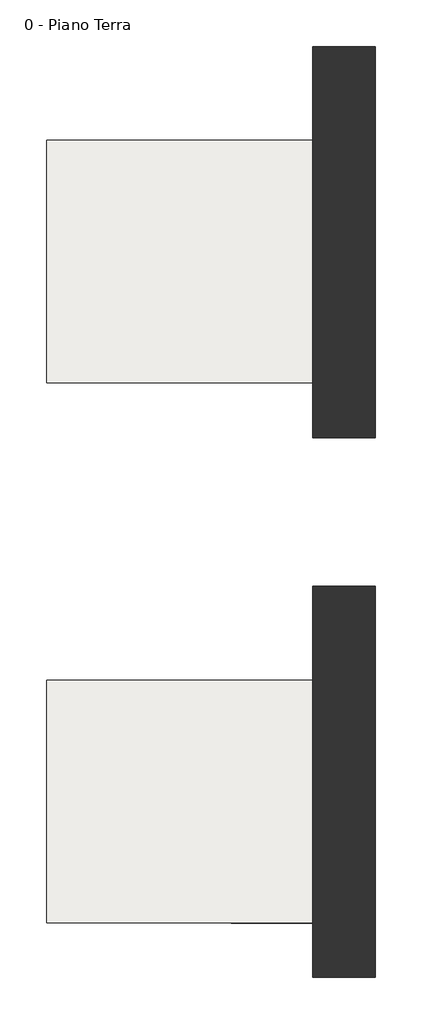
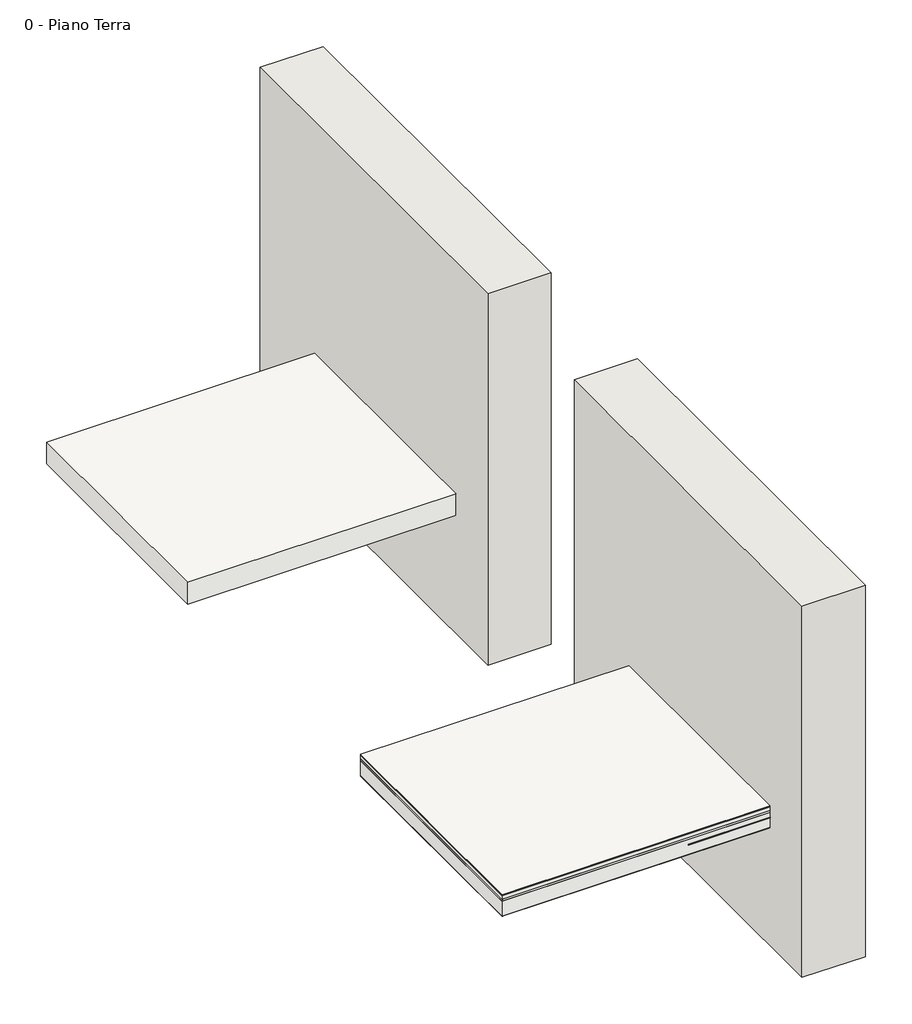
# One storey: 20 proxies, 2 slabs, 2 walls.
"""IFC4 building model written with IfcOpenShell, lengths in millimetres."""

import ifcopenshell
import ifcopenshell.guid

model = None  # the IFC model being written
_history = None  # IfcOwnerHistory: only IFC2X3 demands one
_inside = {}  # id of a spatial element -> (the spatial element, [elements in it])
_under = {}  # id of a project, library or spatial element -> (it, [spatial elements below it])
_declared = {}  # id of a project -> (the project, [libraries it declares])
_typed = {}  # id of a type object -> (the type object, [elements of that type])
_made_of = {}  # id of a material, layer set ... -> (it, [elements and type objects made of it])


def new_model(schema):
    """Start an empty IFC model of exactly this schema.

    Asked for "IFC4X3", IfcOpenShell would pick the latest addendum, in which some entities
    have other attributes; the version numbers below select the first issue.
    IFC2X3 requires an IfcOwnerHistory on every rooted entity: one is made here for all.
    """
    global model, _history
    if schema == "IFC4X3":
        model = ifcopenshell.file(schema_version=(4, 3, 0, 0))
    else:
        model = ifcopenshell.file(schema=schema)
    _inside.clear()
    _under.clear()
    _declared.clear()
    _typed.clear()
    _made_of.clear()
    _history = None
    if model.schema == "IFC2X3":
        org = make("IfcOrganization", Name="unknown")
        user = make(
            "IfcPersonAndOrganization",
            ThePerson=make("IfcPerson", FamilyName="unknown"),
            TheOrganization=org,
        )
        app = make(
            "IfcApplication",
            ApplicationDeveloper=org,
            Version="unknown",
            ApplicationFullName="unknown",
            ApplicationIdentifier="unknown",
        )
        _history = make(
            "IfcOwnerHistory",
            OwningUser=user,
            OwningApplication=app,
            ChangeAction="ADDED",
            CreationDate=0,
        )
    return model


def make(cls, **values):
    """One entity of the class cls with the attributes given. An attribute that is None is left unset."""
    return model.create_entity(
        cls, **{name: value for name, value in values.items() if value is not None}
    )


def rooted(cls, **values):
    """An entity with a GlobalId (a new one), such as an element, a storey or a relation."""
    return make(cls, GlobalId=ifcopenshell.guid.new(), OwnerHistory=_history, **values)


def si_unit(unit_type, name, prefix=None):
    """IfcSIUnit, for example si_unit("LENGTHUNIT", "METRE", prefix="MILLI")."""
    return make("IfcSIUnit", UnitType=unit_type, Prefix=prefix, Name=name)


def assignment(units):
    """IfcUnitAssignment: the units of a project."""
    return None if units is None else make("IfcUnitAssignment", Units=units)


def point(xyz):
    """IfcCartesianPoint."""
    return None if xyz is None else make("IfcCartesianPoint", Coordinates=xyz)


def direction(xyz):
    """IfcDirection."""
    return None if xyz is None else make("IfcDirection", DirectionRatios=xyz)


def frame(location, z_axis=None, x_axis=None):
    """IfcAxis2Placement3D, a coordinate frame: its origin and axes. An axis left out is left unset."""
    return make(
        "IfcAxis2Placement3D",
        Location=point(location),
        Axis=direction(z_axis),
        RefDirection=direction(x_axis),
    )


def frame_2d(location, x_axis=None):
    """IfcAxis2Placement2D, a coordinate frame in the plane: its origin and x axis."""
    return make(
        "IfcAxis2Placement2D", Location=point(location), RefDirection=direction(x_axis)
    )


def origin():
    """The frame at (0, 0, 0) with its axes left unset."""
    return frame((0.0, 0.0, 0.0))


def origin_2d():
    """The frame at (0, 0) in the plane with its x axis left unset."""
    return frame_2d((0.0, 0.0))


def place(relative_to, where):
    """IfcLocalPlacement: puts the frame where relative to a parent placement (None: the world)."""
    return make(
        "IfcLocalPlacement", PlacementRelTo=relative_to, RelativePlacement=where
    )


def context(
    kind, dimensions, precision=None, world=None, true_north=None, identifier=None
):
    """IfcGeometricRepresentationContext, for example the 3D "Model" context."""
    return make(
        "IfcGeometricRepresentationContext",
        ContextIdentifier=identifier,
        ContextType=kind,
        CoordinateSpaceDimension=dimensions,
        Precision=precision,
        WorldCoordinateSystem=world,
        TrueNorth=true_north,
    )


def project(units=None, contexts=None):
    """IfcProject with its units and contexts."""
    return rooted(
        "IfcProject",
        Name="project",
        RepresentationContexts=contexts,
        UnitsInContext=assignment(units),
    )


def spatial(cls, under=None, at=None, **own):
    """A site, building, storey or space (cls), placed at a placement, below another one or the project."""
    s = rooted(cls, ObjectPlacement=at, **own)
    if under is not None:
        _under.setdefault(under.id(), (under, []))[1].append(s)
    return s


def polyline(points):
    """IfcPolyline through the points."""
    return make("IfcPolyline", Points=[point(p) for p in points])


def circle_curve(where, radius):
    """IfcCircle in the frame where."""
    return make("IfcCircle", Position=where, Radius=radius)


def trimmed(basis, trim1, trim2, sense, master):
    """IfcTrimmedCurve: the piece of a basis curve between two trims."""
    return make(
        "IfcTrimmedCurve",
        BasisCurve=basis,
        Trim1=trim1,
        Trim2=trim2,
        SenseAgreement=sense,
        MasterRepresentation=master,
    )


def segment(curve, same_sense, transition):
    """IfcCompositeCurveSegment."""
    return make(
        "IfcCompositeCurveSegment",
        Transition=transition,
        SameSense=same_sense,
        ParentCurve=curve,
    )


def composite_curve(segments, self_intersect=None):
    """IfcCompositeCurve: segments joined end to end."""
    return make("IfcCompositeCurve", Segments=segments, SelfIntersect=self_intersect)


def outline(outer, holes=None, kind="AREA"):
    """IfcArbitraryClosedProfileDef: a profile drawn as a closed curve; with holes, ...WithVoids."""
    if holes is None:
        return make("IfcArbitraryClosedProfileDef", ProfileType=kind, OuterCurve=outer)
    return make(
        "IfcArbitraryProfileDefWithVoids",
        ProfileType=kind,
        OuterCurve=outer,
        InnerCurves=holes,
    )


def extrude(swept, where, along, depth):
    """IfcExtrudedAreaSolid: the profile swept, set in the frame where, extruded along a direction by depth."""
    return make(
        "IfcExtrudedAreaSolid",
        SweptArea=swept,
        Position=where,
        ExtrudedDirection=direction(along),
        Depth=depth,
    )


def shape(context_of_items, identifier, shape_type, items):
    """IfcShapeRepresentation: the items that make up one representation, for example the "Body"."""
    return make(
        "IfcShapeRepresentation",
        ContextOfItems=context_of_items,
        RepresentationIdentifier=identifier,
        RepresentationType=shape_type,
        Items=items,
    )


def source(mapping_origin, context_of_items, identifier, shape_type, items):
    """IfcRepresentationMap: a shape defined once, which mapped items show again and again."""
    return make(
        "IfcRepresentationMap",
        MappingOrigin=mapping_origin,
        MappedRepresentation=shape(context_of_items, identifier, shape_type, items),
    )


def transform(
    local_origin,
    x_axis=None,
    y_axis=None,
    z_axis=None,
    scale=None,
    scale2=None,
    scale3=None,
    uniform=True,
):
    """IfcCartesianTransformationOperator3D, or its non-uniform kind. x_axis, y_axis, z_axis: its Axis1, 2, 3."""
    if uniform:
        return make(
            "IfcCartesianTransformationOperator3D",
            Axis1=direction(x_axis),
            Axis2=direction(y_axis),
            LocalOrigin=point(local_origin),
            Scale=scale,
            Axis3=direction(z_axis),
        )
    return make(
        "IfcCartesianTransformationOperator3DnonUniform",
        Axis1=direction(x_axis),
        Axis2=direction(y_axis),
        LocalOrigin=point(local_origin),
        Scale=scale,
        Axis3=direction(z_axis),
        Scale2=scale2,
        Scale3=scale3,
    )


def mapped(mapping_source, mapping_target):
    """IfcMappedItem: shows the shape of a source again, moved by a transform."""
    return make(
        "IfcMappedItem", MappingSource=mapping_source, MappingTarget=mapping_target
    )


def made_of(thing, what):
    """Note that an element or type object is made of a material, layer set ...; save() writes the relation."""
    if what is not None:
        _made_of.setdefault(what.id(), (what, []))[1].append(thing)
    return thing


def element(
    cls,
    number,
    at=None,
    inside=None,
    cuts=None,
    type_object=None,
    material=None,
    context=None,
    identifier="Body",
    shape_type=None,
    held_by="IfcProductDefinitionShape",
    body=None,
    shapes=None,
    **own,
):
    """One element of the class cls, such as IfcWall. Its Tag is "e" and its number.

    at: its placement. inside: the storey or other place that contains it. cuts: it is an
    opening in that element (IfcRelVoidsElement). A single representation is given by context,
    identifier, shape_type and body (its items); several are given by shapes. held_by: the class
    of the entity that holds the representations. save() writes the other relations.
    """
    e = rooted(cls, Tag="e%d" % number, ObjectPlacement=at, **own)
    if body is not None:
        shapes = [shape(context, identifier, shape_type, body)]
    if shapes is not None:
        e.Representation = make(held_by, Representations=shapes)
    if inside is not None:
        _inside.setdefault(inside.id(), (inside, []))[1].append(e)
    if cuts is not None:
        rooted(
            "IfcRelVoidsElement", RelatingBuildingElement=cuts, RelatedOpeningElement=e
        )
    if type_object is not None:
        _typed.setdefault(type_object.id(), (type_object, []))[1].append(e)
    return made_of(e, material)


def aggregate(whole, parts):
    """IfcRelAggregates: a whole, such as a stair, and the parts it consists of."""
    return rooted("IfcRelAggregates", RelatingObject=whole, RelatedObjects=parts)


def save(model, path):
    """Write the relations noted so far, then the file.

    IfcRelAggregates (storeys below a building ...), IfcRelContainedInSpatialStructure (elements
    in a storey), IfcRelDefinesByType, IfcRelAssociatesMaterial and IfcRelDeclares: one each for
    every whole, place, type object, material and project.
    """
    for whole, parts in _under.values():
        aggregate(whole, parts)
    for where, things in _inside.values():
        rooted(
            "IfcRelContainedInSpatialStructure",
            RelatedElements=things,
            RelatingStructure=where,
        )
    for kind, things in _typed.values():
        rooted("IfcRelDefinesByType", RelatedObjects=things, RelatingType=kind)
    for what, things in _made_of.values():
        rooted("IfcRelAssociatesMaterial", RelatedObjects=things, RelatingMaterial=what)
    for by, libraries in _declared.values():
        rooted("IfcRelDeclares", RelatingContext=by, RelatedDefinitions=libraries)
    model.write(path)


def proxy_2_2_fa1dc8ac(model_context):
    return source(origin(), model_context, "Body", "SweptSolid", [
        extrude(outline(composite_curve([segment(trimmed(circle_curve(origin_2d(), 5.0), [point((1e-07, 5.0))], [point((0.0, -5.0))], False, "CARTESIAN"), True, "CONTINUOUS"), segment(trimmed(circle_curve(origin_2d(), 5.0), [point((0.0, -5.0))], [point((1e-07, 5.0))], False, "CARTESIAN"), True, "CONTINUOUS")], self_intersect=False)), frame((349.2537248, 59.2659051, -225.7729603), z_axis=(0.7403169350548833, -0.08715574274766133, 0.6665843623856228), x_axis=(-0.6691306063588719, 0.0, 0.743144825477382)), (0.0, 0.0, 1.0), 680.0),
    ])


def threaded_rod_threaded_rod_d40a045e(model_context):
    return source(origin(), model_context, "Body", "SweptSolid", [
        extrude(outline(composite_curve([segment(trimmed(circle_curve(origin_2d(), 5.0), [point((-5.0, 0.0))], [point((5.0, 0.0))], False, "CARTESIAN"), True, "CONTINUOUS"), segment(trimmed(circle_curve(origin_2d(), 5.0), [point((5.0, 0.0))], [point((-5.0, 0.0))], False, "CARTESIAN"), True, "CONTINUOUS")], self_intersect=False)), frame((-20.0, 0.0, 0.0), z_axis=(1.0, 0.0, 0.0), x_axis=(0.0, 1.0, 0.0)), (0.0, 0.0, 1.0), 1040.0),
    ])


model = new_model("IFC4")

# Units and contexts
model_context = context("Model", 3, world=origin())
ifc_project = project(units=[si_unit("LENGTHUNIT", "METRE", prefix="MILLI")], contexts=[model_context])

# Site, building, storey
site = spatial("IfcSite", under=ifc_project)
building = spatial("IfcBuilding", under=site)
storey = spatial("IfcBuildingStorey", under=building, Name="0 - Piano Terra", Elevation=0.0)

# Proxies
placement = place(None, origin())
proxy_2_2_shape = proxy_2_2_fa1dc8ac(model_context)
element("IfcBuildingElementProxy", 1, Name="2 : 2", ObjectType="2 : 2", at=placement, inside=storey, context=model_context, shape_type="MappedRepresentation", body=[
    mapped(proxy_2_2_shape, transform((2579.8193376, -3550.2673066, -380.9029315), x_axis=(-1.0, 0.0, 0.0), y_axis=(0.0, -1.0, 0.0), z_axis=(0.0, 0.0, 1.0))),
])
element("IfcBuildingElementProxy", 2, Name="2 : 2", ObjectType="2 : 2", at=placement, inside=storey, context=model_context, shape_type="MappedRepresentation", body=[
    mapped(proxy_2_2_shape, transform((2579.8193376, -3050.2673066, -380.9029315), x_axis=(-1.0, 0.0, 0.0), y_axis=(0.0, -1.0, 0.0), z_axis=(0.0, 0.0, 1.0))),
])
element("IfcBuildingElementProxy", 3, Name="2 : 2", ObjectType="2 : 2", at=placement, inside=storey, context=model_context, shape_type="MappedRepresentation", body=[
    mapped(proxy_2_2_shape, transform((2579.8193376, -2550.2673066, -380.9029315), x_axis=(-1.0, 0.0, 0.0), y_axis=(0.0, -1.0, 0.0), z_axis=(0.0, 0.0, 1.0))),
])
element("IfcBuildingElementProxy", 4, Name="2 : 2", ObjectType="2 : 2", at=placement, inside=storey, context=model_context, shape_type="MappedRepresentation", body=[
    mapped(proxy_2_2_shape, transform((2579.8193376, -2050.2673066, -380.9029315), x_axis=(-1.0, 0.0, 0.0), y_axis=(0.0, -1.0, 0.0), z_axis=(0.0, 0.0, 1.0))),
])
element("IfcBuildingElementProxy", 5, Name="2 : 2", ObjectType="2 : 2", at=placement, inside=storey, context=model_context, shape_type="MappedRepresentation", body=[
    mapped(proxy_2_2_shape, transform((2579.8193376, -1550.2673066, -380.9029315), x_axis=(-1.0, 0.0, 0.0), y_axis=(0.0, -1.0, 0.0), z_axis=(0.0, 0.0, 1.0))),
])
element("IfcBuildingElementProxy", 6, Name="2 : 2", ObjectType="2 : 2", at=placement, inside=storey, context=model_context, shape_type="MappedRepresentation", body=[
    mapped(proxy_2_2_shape, transform((2579.8193376, 3554.8367501, -380.9029315), x_axis=(-1.0, 0.0, 0.0), y_axis=(0.0, -1.0, 0.0), z_axis=(0.0, 0.0, 1.0))),
])
element("IfcBuildingElementProxy", 7, Name="2 : 2", ObjectType="2 : 2", at=placement, inside=storey, context=model_context, shape_type="MappedRepresentation", body=[
    mapped(proxy_2_2_shape, transform((2579.8193376, 4054.8367501, -380.9029315), x_axis=(-1.0, 0.0, 0.0), y_axis=(0.0, -1.0, 0.0), z_axis=(0.0, 0.0, 1.0))),
])
element("IfcBuildingElementProxy", 8, Name="2 : 2", ObjectType="2 : 2", at=placement, inside=storey, context=model_context, shape_type="MappedRepresentation", body=[
    mapped(proxy_2_2_shape, transform((2579.8193376, 4554.8367501, -380.9029315), x_axis=(-1.0, 0.0, 0.0), y_axis=(0.0, -1.0, 0.0), z_axis=(0.0, 0.0, 1.0))),
])
element("IfcBuildingElementProxy", 9, Name="2 : 2", ObjectType="2 : 2", at=placement, inside=storey, context=model_context, shape_type="MappedRepresentation", body=[
    mapped(proxy_2_2_shape, transform((2579.8193376, 5054.8367501, -380.9029315), x_axis=(-1.0, 0.0, 0.0), y_axis=(0.0, -1.0, 0.0), z_axis=(0.0, 0.0, 1.0))),
])
element("IfcBuildingElementProxy", 10, Name="2 : 2", ObjectType="2 : 2", at=placement, inside=storey, context=model_context, shape_type="MappedRepresentation", body=[
    mapped(proxy_2_2_shape, transform((2579.8193376, 5554.8367501, -380.9029315), x_axis=(-1.0, 0.0, 0.0), y_axis=(0.0, -1.0, 0.0), z_axis=(0.0, 0.0, 1.0))),
])
threaded_rod_threaded_rod_shape = threaded_rod_threaded_rod_d40a045e(model_context)
element("IfcBuildingElementProxy", 11, Name="Threaded-rod : Threaded-rod", ObjectType="Threaded-rod : Threaded-rod", at=placement, inside=storey, context=model_context, shape_type="MappedRepresentation", body=[
    mapped(threaded_rod_threaded_rod_shape, transform((1710.4957499, -3550.0995562, -154.6828012), x_axis=(-1.0, 0.0, 0.0), y_axis=(0.0, 1.0, 0.0), z_axis=(0.0, 0.0, -1.0))),
])
element("IfcBuildingElementProxy", 12, Name="Threaded-rod : Threaded-rod", ObjectType="Threaded-rod : Threaded-rod", at=placement, inside=storey, context=model_context, shape_type="MappedRepresentation", body=[
    mapped(threaded_rod_threaded_rod_shape, transform((1710.4957499, -3050.0995562, -154.6828012), x_axis=(-1.0, 0.0, 0.0), y_axis=(0.0, 1.0, 0.0), z_axis=(0.0, 0.0, -1.0))),
])
element("IfcBuildingElementProxy", 13, Name="Threaded-rod : Threaded-rod", ObjectType="Threaded-rod : Threaded-rod", at=placement, inside=storey, context=model_context, shape_type="MappedRepresentation", body=[
    mapped(threaded_rod_threaded_rod_shape, transform((1710.4957499, -2550.0995562, -154.6828012), x_axis=(-1.0, 0.0, 0.0), y_axis=(0.0, 1.0, 0.0), z_axis=(0.0, 0.0, -1.0))),
])
element("IfcBuildingElementProxy", 14, Name="Threaded-rod : Threaded-rod", ObjectType="Threaded-rod : Threaded-rod", at=placement, inside=storey, context=model_context, shape_type="MappedRepresentation", body=[
    mapped(threaded_rod_threaded_rod_shape, transform((1710.4957499, -2050.0995562, -154.6828012), x_axis=(-1.0, 0.0, 0.0), y_axis=(0.0, 1.0, 0.0), z_axis=(0.0, 0.0, -1.0))),
])
element("IfcBuildingElementProxy", 15, Name="Threaded-rod : Threaded-rod", ObjectType="Threaded-rod : Threaded-rod", at=placement, inside=storey, context=model_context, shape_type="MappedRepresentation", body=[
    mapped(threaded_rod_threaded_rod_shape, transform((1710.4957499, -1433.5930411, -206.0052963), x_axis=(-1.0, 0.0, 0.0), y_axis=(0.0, 1.0, 0.0), z_axis=(0.0, 0.0, -1.0))),
])
element("IfcBuildingElementProxy", 16, Name="Threaded-rod : Threaded-rod", ObjectType="Threaded-rod : Threaded-rod", at=placement, inside=storey, context=model_context, shape_type="MappedRepresentation", body=[
    mapped(threaded_rod_threaded_rod_shape, transform((1710.4957499, 3555.0045006, -154.6828012), x_axis=(-1.0, 0.0, 0.0), y_axis=(0.0, 1.0, 0.0), z_axis=(0.0, 0.0, -1.0))),
])
element("IfcBuildingElementProxy", 17, Name="Threaded-rod : Threaded-rod", ObjectType="Threaded-rod : Threaded-rod", at=placement, inside=storey, context=model_context, shape_type="MappedRepresentation", body=[
    mapped(threaded_rod_threaded_rod_shape, transform((1710.4957499, 4055.0045006, -154.6828012), x_axis=(-1.0, 0.0, 0.0), y_axis=(0.0, 1.0, 0.0), z_axis=(0.0, 0.0, -1.0))),
])
element("IfcBuildingElementProxy", 18, Name="Threaded-rod : Threaded-rod", ObjectType="Threaded-rod : Threaded-rod", at=placement, inside=storey, context=model_context, shape_type="MappedRepresentation", body=[
    mapped(threaded_rod_threaded_rod_shape, transform((1710.4957499, 4555.0045006, -154.6828012), x_axis=(-1.0, 0.0, 0.0), y_axis=(0.0, 1.0, 0.0), z_axis=(0.0, 0.0, -1.0))),
])
element("IfcBuildingElementProxy", 19, Name="Threaded-rod : Threaded-rod", ObjectType="Threaded-rod : Threaded-rod", at=placement, inside=storey, context=model_context, shape_type="MappedRepresentation", body=[
    mapped(threaded_rod_threaded_rod_shape, transform((1710.4957499, 5055.0045006, -154.6828012), x_axis=(-1.0, 0.0, 0.0), y_axis=(0.0, 1.0, 0.0), z_axis=(0.0, 0.0, -1.0))),
])
element("IfcBuildingElementProxy", 20, Name="Threaded-rod : Threaded-rod", ObjectType="Threaded-rod : Threaded-rod", at=placement, inside=storey, context=model_context, shape_type="MappedRepresentation", body=[
    mapped(threaded_rod_threaded_rod_shape, transform((1710.4957499, 5555.0045006, -154.6828012), x_axis=(-1.0, 0.0, 0.0), y_axis=(0.0, 1.0, 0.0), z_axis=(0.0, 0.0, -1.0))),
])

# Slabs
element("IfcSlab", 21, at=placement, inside=storey, context=model_context, shape_type="SweptSolid", body=[
    extrude(outline(polyline([(1730.4957499, -450.0995562), (1730.4957499, -3550.0995562), (-1669.5042501, -3550.0995562), (-1669.5042501, -450.0995562), (1730.4957499, -450.0995562)])), frame((0.0, 0.0, -9.0), z_axis=(0.0, 0.0, 1.0), x_axis=(1.0, 0.0, 0.0)), (0.0, 0.0, 1.0), 9.0),
    extrude(outline(polyline([(1730.4957499, -450.0995562), (1730.4957499, -3550.0995562), (-1669.5042501, -3550.0995562), (-1669.5042501, -450.0995562), (1730.4957499, -450.0995562)])), frame((0.0, 0.0, -10.0), z_axis=(0.0, 0.0, 1.0), x_axis=(1.0, 0.0, 0.0)), (0.0, 0.0, 1.0), 1.0),
    extrude(outline(polyline([(1730.4957499, -450.0995562), (1730.4957499, -3550.0995562), (-1669.5042501, -3550.0995562), (-1669.5042501, -450.0995562), (1730.4957499, -450.0995562)])), frame((0.0, 0.0, -60.0), z_axis=(0.0, 0.0, 1.0), x_axis=(1.0, 0.0, 0.0)), (0.0, 0.0, 1.0), 50.0),
    extrude(outline(polyline([(1730.4957499, -450.0995562), (1730.4957499, -3550.0995562), (-1669.5042501, -3550.0995562), (-1669.5042501, -450.0995562), (1730.4957499, -450.0995562)])), frame((0.0, 0.0, -61.0), z_axis=(0.0, 0.0, 1.0), x_axis=(1.0, 0.0, 0.0)), (0.0, 0.0, 1.0), 1.0),
    extrude(outline(polyline([(1730.4957499, -450.0995562), (1730.4957499, -3550.0995562), (-1669.5042501, -3550.0995562), (-1669.5042501, -450.0995562), (1730.4957499, -450.0995562)])), frame((0.0, 0.0, -86.0), z_axis=(0.0, 0.0, 1.0), x_axis=(1.0, 0.0, 0.0)), (0.0, 0.0, 1.0), 25.0),
    extrude(outline(polyline([(1730.4957499, -450.0995562), (1730.4957499, -3550.0995562), (-1669.5042501, -3550.0995562), (-1669.5042501, -450.0995562), (1730.4957499, -450.0995562)])), frame((0.0, 0.0, -286.0), z_axis=(0.0, 0.0, 1.0), x_axis=(1.0, 0.0, 0.0)), (0.0, 0.0, 1.0), 200.0),
    extrude(outline(polyline([(1730.4957499, -450.0995562), (1730.4957499, -3550.0995562), (-1669.5042501, -3550.0995562), (-1669.5042501, -450.0995562), (1730.4957499, -450.0995562)])), frame((0.0, 0.0, -291.0), z_axis=(0.0, 0.0, 1.0), x_axis=(1.0, 0.0, 0.0)), (0.0, 0.0, 1.0), 5.0),
])
element("IfcSlab", 22, at=placement, inside=storey, context=model_context, shape_type="SweptSolid", body=[
    extrude(outline(polyline([(1730.4957499, 6449.9004438), (1730.4957499, 3349.9004438), (-1669.5042501, 3349.9004438), (-1669.5042501, 6449.9004438), (1730.4957499, 6449.9004438)])), frame((0.0, 0.0, -291.0), z_axis=(0.0, 0.0, 1.0), x_axis=(1.0, 0.0, 0.0)), (0.0, 0.0, 1.0), 291.0),
])

# Walls
element("IfcWall", 23, ObjectType="Generico - 30 cm", at=placement, inside=storey, context=model_context, shape_type="SweptSolid", body=[
    extrude(outline(polyline([(1730.4957499, -4250.0995562), (1730.4957499, 749.9004438), (2530.4957499, 749.9004438), (2530.4957499, -4250.0995562), (1730.4957499, -4250.0995562)])), frame((0.0, 0.0, -1873.6522787), z_axis=(0.0, 0.0, 1.0), x_axis=(1.0, 0.0, 0.0)), (0.0, 0.0, 1.0), 4973.6522787),
])
element("IfcWall", 24, ObjectType="Generico - 30 cm", at=placement, inside=storey, context=model_context, shape_type="SweptSolid", body=[
    extrude(outline(polyline([(1730.4957499, 2649.9004438), (1730.4957499, 7649.9004438), (2530.4957499, 7649.9004438), (2530.4957499, 2649.9004438), (1730.4957499, 2649.9004438)])), frame((0.0, 0.0, -1873.6522787), z_axis=(0.0, 0.0, 1.0), x_axis=(1.0, 0.0, 0.0)), (0.0, 0.0, 1.0), 4973.6522787),
])

save(model, "model.ifc")
